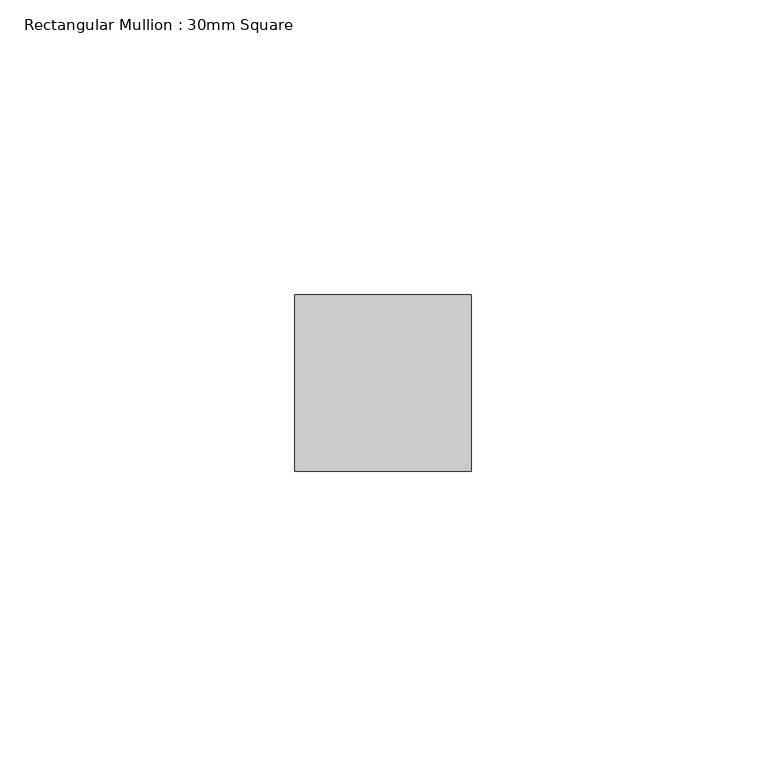
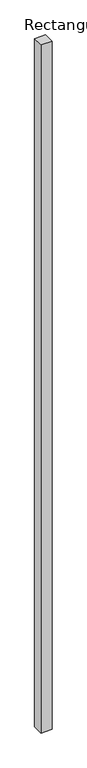
"""IFC4 building model written with IfcOpenShell, lengths in millimetres: member geometry, Rectangular Mullion : 30mm Square."""

from ifc_helpers import new_model, si_unit, frame, origin, place, context, project, spatial, polyline, outline, extrude, source, transform, mapped, element, save


def rectangular_mullion_30mm_square_25f3bd10(model_context):
    return source(origin(), model_context, "Body", "SweptSolid", [
        extrude(outline(polyline([(0.0, 15.0), (0.0, -15.0), (-30.0, -15.0), (-30.0, 15.0), (0.0, 15.0)])), frame((0.0, 0.0, -2000.0), z_axis=(0.0, 0.0, 1.0), x_axis=(1.0, 0.0, 0.0)), (0.0, 0.0, 1.0), 2000.0),
    ])


if __name__ == "__main__":
    model = new_model("IFC4")
    model_context = context("Model", 3, world=origin())
    ifc_project = project(units=[si_unit("LENGTHUNIT", "METRE", prefix="MILLI")], contexts=[model_context])
    site = spatial("IfcSite", under=ifc_project)
    building = spatial("IfcBuilding", under=site)
    placement = place(None, origin())
    rectangular_mullion_30mm_square_shape = rectangular_mullion_30mm_square_25f3bd10(model_context)
    element("IfcMember", 1, ObjectType="Rectangular Mullion : 30mm Square", at=placement, inside=building, context=model_context, shape_type="MappedRepresentation", body=[
        mapped(rectangular_mullion_30mm_square_shape, transform((0.0, 0.0, 0.0), x_axis=(1.0, 0.0, 0.0), y_axis=(0.0, 1.0, 0.0), z_axis=(0.0, 0.0, 1.0))),
    ])
    save(model, "model.ifc")
